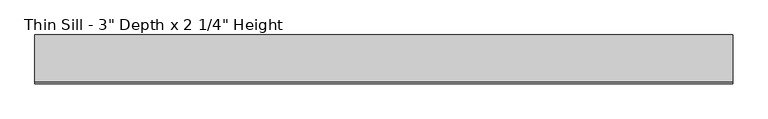
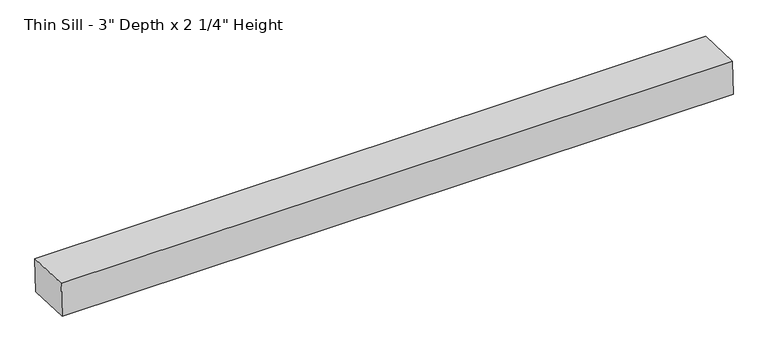
"""IFC4 building model written with IfcOpenShell, lengths in millimetres: proxy geometry."""

from ifc_helpers import new_model, si_unit, frame, origin, place, context, project, spatial, polyline, outline, extrude, source, transform, mapped, element, save


def proxy_d795f966(model_context):
    return source(origin(), model_context, "Body", "SweptSolid", [
        extrude(outline(polyline([(0.0, -76.2), (0.0, 0.0), (1117.6, 0.0), (1117.6, -76.2), (0.0, -76.2)])), frame((558.8, 112.758919, 2.6593416), z_axis=(0.0, 0.03489949670250397, 0.9993908270190957), x_axis=(-1.0, 0.0, 0.0)), (0.0, 0.0, 1.0), 57.15),
    ])


if __name__ == "__main__":
    model = new_model("IFC4")
    model_context = context("Model", 3, world=origin())
    ifc_project = project(units=[si_unit("LENGTHUNIT", "METRE", prefix="MILLI")], contexts=[model_context])
    site = spatial("IfcSite", under=ifc_project)
    building = spatial("IfcBuilding", under=site)
    placement = place(None, origin())
    proxy_shape = proxy_d795f966(model_context)
    element("IfcBuildingElementProxy", 1, Name="Thin Sill - 3\" Depth x 2 1/4\" Height", ObjectType="Thin Sill - 3\" Depth x 2 1/4\" Height", at=placement, inside=building, context=model_context, shape_type="MappedRepresentation", body=[
        mapped(proxy_shape, transform((0.0, 0.0, 0.0), x_axis=(1.0, 0.0, 0.0), y_axis=(0.0, 1.0, 0.0), z_axis=(0.0, 0.0, 1.0))),
    ])
    save(model, "model.ifc")
